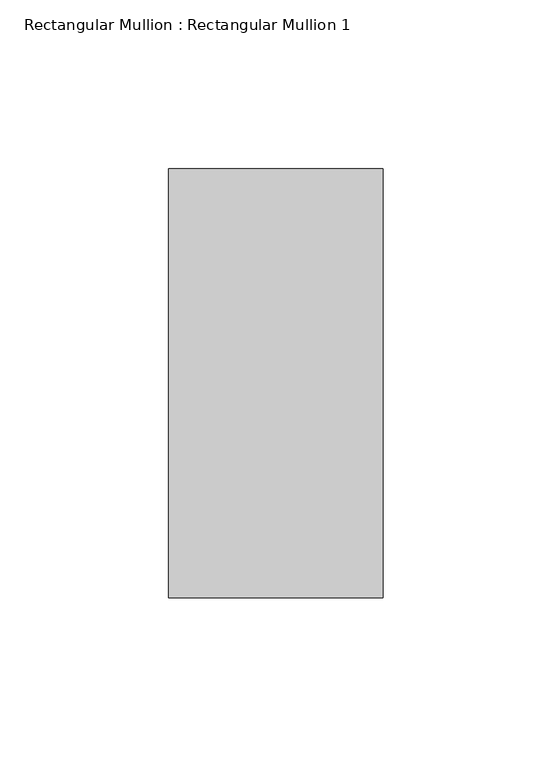
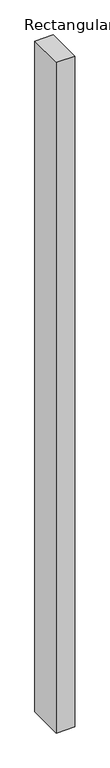
"""IFC4 building model written with IfcOpenShell, lengths in millimetres: member geometry, Rectangular Mullion : Rectangular Mullion 1."""

from ifc_helpers import new_model, si_unit, frame, origin, place, context, project, spatial, polyline, outline, extrude, source, transform, mapped, element, save


def rectangular_mullion_rectangular_mullion_1_f0fea5a5(model_context):
    return source(origin(), model_context, "Body", "SweptSolid", [
        extrude(outline(polyline([(31.75, 63.5), (31.75, -63.5), (-31.75, -63.5), (-31.75, 63.5), (31.75, 63.5)])), frame((0.0, 0.0, -2438.4), z_axis=(0.0, 0.0, 1.0), x_axis=(1.0, 0.0, 0.0)), (0.0, 0.0, 1.0), 2438.4),
    ])


if __name__ == "__main__":
    model = new_model("IFC4")
    model_context = context("Model", 3, world=origin())
    ifc_project = project(units=[si_unit("LENGTHUNIT", "METRE", prefix="MILLI")], contexts=[model_context])
    site = spatial("IfcSite", under=ifc_project)
    building = spatial("IfcBuilding", under=site)
    placement = place(None, origin())
    rectangular_mullion_rectangular_mullion_1_shape = rectangular_mullion_rectangular_mullion_1_f0fea5a5(model_context)
    element("IfcMember", 1, ObjectType="Rectangular Mullion : Rectangular Mullion 1", at=placement, inside=building, context=model_context, shape_type="MappedRepresentation", body=[
        mapped(rectangular_mullion_rectangular_mullion_1_shape, transform((0.0, 0.0, 0.0), x_axis=(1.0, 0.0, 0.0), y_axis=(0.0, 1.0, 0.0), z_axis=(0.0, 0.0, 1.0))),
    ])
    save(model, "model.ifc")
